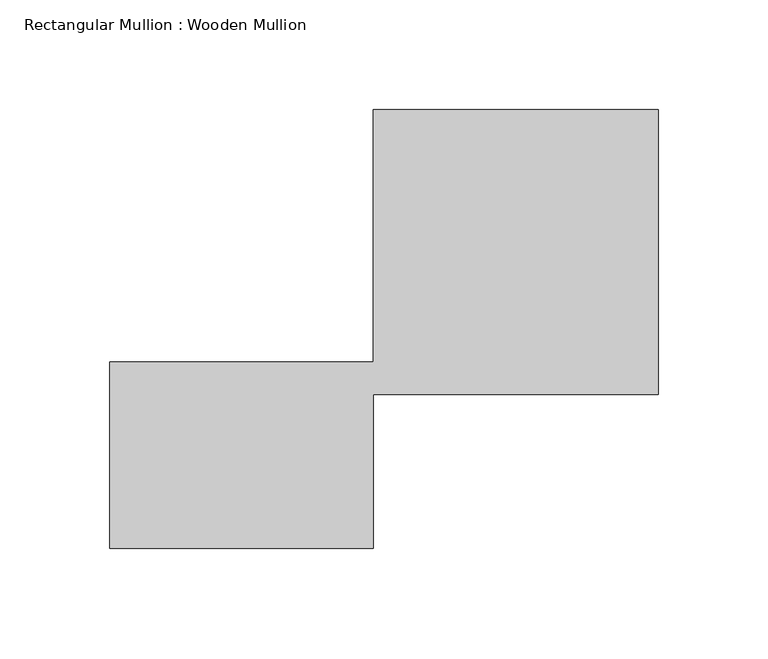
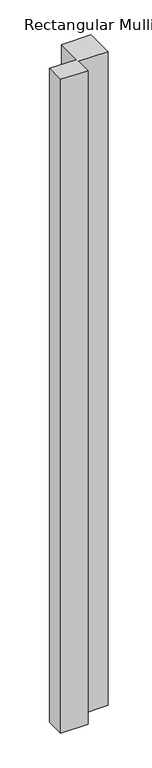
"""IFC4 building model written with IfcOpenShell, lengths in millimetres: member geometry, Rectangular Mullion : Wooden Mullion."""

import ifcopenshell
import ifcopenshell.guid

model = None  # the IFC model being written
_history = None  # IfcOwnerHistory: only IFC2X3 demands one
_inside = {}  # id of a spatial element -> (the spatial element, [elements in it])
_under = {}  # id of a project, library or spatial element -> (it, [spatial elements below it])
_declared = {}  # id of a project -> (the project, [libraries it declares])
_typed = {}  # id of a type object -> (the type object, [elements of that type])
_made_of = {}  # id of a material, layer set ... -> (it, [elements and type objects made of it])


def new_model(schema):
    """Start an empty IFC model of exactly this schema.

    Asked for "IFC4X3", IfcOpenShell would pick the latest addendum, in which some entities
    have other attributes; the version numbers below select the first issue.
    IFC2X3 requires an IfcOwnerHistory on every rooted entity: one is made here for all.
    """
    global model, _history
    if schema == "IFC4X3":
        model = ifcopenshell.file(schema_version=(4, 3, 0, 0))
    else:
        model = ifcopenshell.file(schema=schema)
    _inside.clear()
    _under.clear()
    _declared.clear()
    _typed.clear()
    _made_of.clear()
    _history = None
    if model.schema == "IFC2X3":
        org = make("IfcOrganization", Name="unknown")
        user = make(
            "IfcPersonAndOrganization",
            ThePerson=make("IfcPerson", FamilyName="unknown"),
            TheOrganization=org,
        )
        app = make(
            "IfcApplication",
            ApplicationDeveloper=org,
            Version="unknown",
            ApplicationFullName="unknown",
            ApplicationIdentifier="unknown",
        )
        _history = make(
            "IfcOwnerHistory",
            OwningUser=user,
            OwningApplication=app,
            ChangeAction="ADDED",
            CreationDate=0,
        )
    return model


def make(cls, **values):
    """One entity of the class cls with the attributes given. An attribute that is None is left unset."""
    return model.create_entity(
        cls, **{name: value for name, value in values.items() if value is not None}
    )


def rooted(cls, **values):
    """An entity with a GlobalId (a new one), such as an element, a storey or a relation."""
    return make(cls, GlobalId=ifcopenshell.guid.new(), OwnerHistory=_history, **values)


def si_unit(unit_type, name, prefix=None):
    """IfcSIUnit, for example si_unit("LENGTHUNIT", "METRE", prefix="MILLI")."""
    return make("IfcSIUnit", UnitType=unit_type, Prefix=prefix, Name=name)


def assignment(units):
    """IfcUnitAssignment: the units of a project."""
    return None if units is None else make("IfcUnitAssignment", Units=units)


def point(xyz):
    """IfcCartesianPoint."""
    return None if xyz is None else make("IfcCartesianPoint", Coordinates=xyz)


def direction(xyz):
    """IfcDirection."""
    return None if xyz is None else make("IfcDirection", DirectionRatios=xyz)


def frame(location, z_axis=None, x_axis=None):
    """IfcAxis2Placement3D, a coordinate frame: its origin and axes. An axis left out is left unset."""
    return make(
        "IfcAxis2Placement3D",
        Location=point(location),
        Axis=direction(z_axis),
        RefDirection=direction(x_axis),
    )


def origin():
    """The frame at (0, 0, 0) with its axes left unset."""
    return frame((0.0, 0.0, 0.0))


def place(relative_to, where):
    """IfcLocalPlacement: puts the frame where relative to a parent placement (None: the world)."""
    return make(
        "IfcLocalPlacement", PlacementRelTo=relative_to, RelativePlacement=where
    )


def context(
    kind, dimensions, precision=None, world=None, true_north=None, identifier=None
):
    """IfcGeometricRepresentationContext, for example the 3D "Model" context."""
    return make(
        "IfcGeometricRepresentationContext",
        ContextIdentifier=identifier,
        ContextType=kind,
        CoordinateSpaceDimension=dimensions,
        Precision=precision,
        WorldCoordinateSystem=world,
        TrueNorth=true_north,
    )


def project(units=None, contexts=None):
    """IfcProject with its units and contexts."""
    return rooted(
        "IfcProject",
        Name="project",
        RepresentationContexts=contexts,
        UnitsInContext=assignment(units),
    )


def spatial(cls, under=None, at=None, **own):
    """A site, building, storey or space (cls), placed at a placement, below another one or the project."""
    s = rooted(cls, ObjectPlacement=at, **own)
    if under is not None:
        _under.setdefault(under.id(), (under, []))[1].append(s)
    return s


def polyline(points):
    """IfcPolyline through the points."""
    return make("IfcPolyline", Points=[point(p) for p in points])


def outline(outer, holes=None, kind="AREA"):
    """IfcArbitraryClosedProfileDef: a profile drawn as a closed curve; with holes, ...WithVoids."""
    if holes is None:
        return make("IfcArbitraryClosedProfileDef", ProfileType=kind, OuterCurve=outer)
    return make(
        "IfcArbitraryProfileDefWithVoids",
        ProfileType=kind,
        OuterCurve=outer,
        InnerCurves=holes,
    )


def extrude(swept, where, along, depth):
    """IfcExtrudedAreaSolid: the profile swept, set in the frame where, extruded along a direction by depth."""
    return make(
        "IfcExtrudedAreaSolid",
        SweptArea=swept,
        Position=where,
        ExtrudedDirection=direction(along),
        Depth=depth,
    )


def shape(context_of_items, identifier, shape_type, items):
    """IfcShapeRepresentation: the items that make up one representation, for example the "Body"."""
    return make(
        "IfcShapeRepresentation",
        ContextOfItems=context_of_items,
        RepresentationIdentifier=identifier,
        RepresentationType=shape_type,
        Items=items,
    )


def source(mapping_origin, context_of_items, identifier, shape_type, items):
    """IfcRepresentationMap: a shape defined once, which mapped items show again and again."""
    return make(
        "IfcRepresentationMap",
        MappingOrigin=mapping_origin,
        MappedRepresentation=shape(context_of_items, identifier, shape_type, items),
    )


def transform(
    local_origin,
    x_axis=None,
    y_axis=None,
    z_axis=None,
    scale=None,
    scale2=None,
    scale3=None,
    uniform=True,
):
    """IfcCartesianTransformationOperator3D, or its non-uniform kind. x_axis, y_axis, z_axis: its Axis1, 2, 3."""
    if uniform:
        return make(
            "IfcCartesianTransformationOperator3D",
            Axis1=direction(x_axis),
            Axis2=direction(y_axis),
            LocalOrigin=point(local_origin),
            Scale=scale,
            Axis3=direction(z_axis),
        )
    return make(
        "IfcCartesianTransformationOperator3DnonUniform",
        Axis1=direction(x_axis),
        Axis2=direction(y_axis),
        LocalOrigin=point(local_origin),
        Scale=scale,
        Axis3=direction(z_axis),
        Scale2=scale2,
        Scale3=scale3,
    )


def mapped(mapping_source, mapping_target):
    """IfcMappedItem: shows the shape of a source again, moved by a transform."""
    return make(
        "IfcMappedItem", MappingSource=mapping_source, MappingTarget=mapping_target
    )


def made_of(thing, what):
    """Note that an element or type object is made of a material, layer set ...; save() writes the relation."""
    if what is not None:
        _made_of.setdefault(what.id(), (what, []))[1].append(thing)
    return thing


def element(
    cls,
    number,
    at=None,
    inside=None,
    cuts=None,
    type_object=None,
    material=None,
    context=None,
    identifier="Body",
    shape_type=None,
    held_by="IfcProductDefinitionShape",
    body=None,
    shapes=None,
    **own,
):
    """One element of the class cls, such as IfcWall. Its Tag is "e" and its number.

    at: its placement. inside: the storey or other place that contains it. cuts: it is an
    opening in that element (IfcRelVoidsElement). A single representation is given by context,
    identifier, shape_type and body (its items); several are given by shapes. held_by: the class
    of the entity that holds the representations. save() writes the other relations.
    """
    e = rooted(cls, Tag="e%d" % number, ObjectPlacement=at, **own)
    if body is not None:
        shapes = [shape(context, identifier, shape_type, body)]
    if shapes is not None:
        e.Representation = make(held_by, Representations=shapes)
    if inside is not None:
        _inside.setdefault(inside.id(), (inside, []))[1].append(e)
    if cuts is not None:
        rooted(
            "IfcRelVoidsElement", RelatingBuildingElement=cuts, RelatedOpeningElement=e
        )
    if type_object is not None:
        _typed.setdefault(type_object.id(), (type_object, []))[1].append(e)
    return made_of(e, material)


def aggregate(whole, parts):
    """IfcRelAggregates: a whole, such as a stair, and the parts it consists of."""
    return rooted("IfcRelAggregates", RelatingObject=whole, RelatedObjects=parts)


def save(model, path):
    """Write the relations noted so far, then the file.

    IfcRelAggregates (storeys below a building ...), IfcRelContainedInSpatialStructure (elements
    in a storey), IfcRelDefinesByType, IfcRelAssociatesMaterial and IfcRelDeclares: one each for
    every whole, place, type object, material and project.
    """
    for whole, parts in _under.values():
        aggregate(whole, parts)
    for where, things in _inside.values():
        rooted(
            "IfcRelContainedInSpatialStructure",
            RelatedElements=things,
            RelatingStructure=where,
        )
    for kind, things in _typed.values():
        rooted("IfcRelDefinesByType", RelatedObjects=things, RelatingType=kind)
    for what, things in _made_of.values():
        rooted("IfcRelAssociatesMaterial", RelatedObjects=things, RelatingMaterial=what)
    for by, libraries in _declared.values():
        rooted("IfcRelDeclares", RelatingContext=by, RelatedDefinitions=libraries)
    model.write(path)


def rectangular_mullion_wooden_mullion_6b07279a(model_context):
    return source(origin(), model_context, "Body", "SweptSolid", [
        extrude(outline(polyline([(74.8100006, -26.0137344), (-45.1899994, -26.0137344), (-45.1899994, 58.9862656), (74.8100006, 58.9862656), (74.8100006, 173.9862656), (204.8100006, 173.9862656), (204.8100006, 43.9862656), (74.8100006, 43.9862656), (74.8100006, -26.0137344)])), frame((0.0, 0.0, -3060.9306709), z_axis=(0.0, 0.0, 1.0), x_axis=(1.0, 0.0, 0.0)), (0.0, 0.0, 1.0), 3060.9306709),
    ])


if __name__ == "__main__":
    model = new_model("IFC4")
    model_context = context("Model", 3, world=origin())
    ifc_project = project(units=[si_unit("LENGTHUNIT", "METRE", prefix="MILLI")], contexts=[model_context])
    site = spatial("IfcSite", under=ifc_project)
    building = spatial("IfcBuilding", under=site)
    placement = place(None, origin())
    rectangular_mullion_wooden_mullion_shape = rectangular_mullion_wooden_mullion_6b07279a(model_context)
    element("IfcMember", 1, ObjectType="Rectangular Mullion : Wooden Mullion", at=placement, inside=building, context=model_context, shape_type="MappedRepresentation", body=[
        mapped(rectangular_mullion_wooden_mullion_shape, transform((0.0, 0.0, 0.0), x_axis=(1.0, 0.0, 0.0), y_axis=(0.0, 1.0, 0.0), z_axis=(0.0, 0.0, 1.0))),
    ])
    save(model, "model.ifc")
